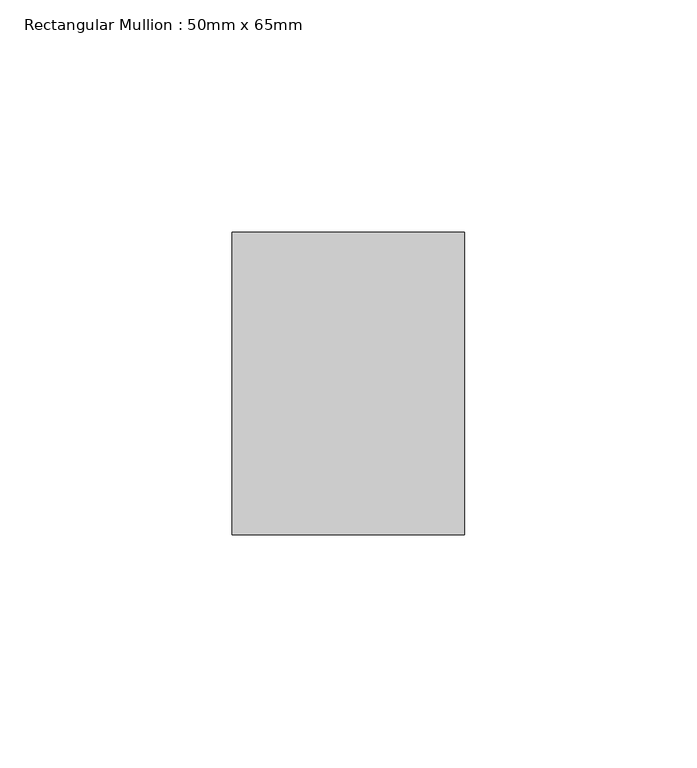
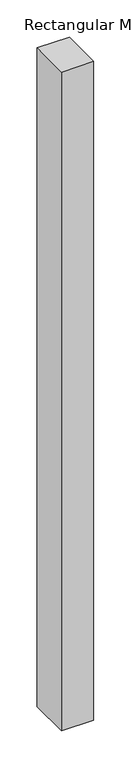
"""IFC4 building model written with IfcOpenShell, lengths in millimetres: member geometry, Rectangular Mullion : 50mm x 65mm."""

from ifc_helpers import new_model, si_unit, frame, origin, place, context, project, spatial, polyline, outline, extrude, source, transform, mapped, element, save


def rectangular_mullion_50mm_x_65mm_74bed0b0(model_context):
    return source(origin(), model_context, "Body", "SweptSolid", [
        extrude(outline(polyline([(25.0, 32.5), (25.0, -32.5), (-25.0, -32.5), (-25.0, 32.5), (25.0, 32.5)])), frame((0.0, 0.0, -1078.0447342), z_axis=(0.0, 0.0, 1.0), x_axis=(1.0, 0.0, 0.0)), (0.0, 0.0, 1.0), 1078.0447342),
    ])


if __name__ == "__main__":
    model = new_model("IFC4")
    model_context = context("Model", 3, world=origin())
    ifc_project = project(units=[si_unit("LENGTHUNIT", "METRE", prefix="MILLI")], contexts=[model_context])
    site = spatial("IfcSite", under=ifc_project)
    building = spatial("IfcBuilding", under=site)
    placement = place(None, origin())
    rectangular_mullion_50mm_x_65mm_shape = rectangular_mullion_50mm_x_65mm_74bed0b0(model_context)
    element("IfcMember", 1, ObjectType="Rectangular Mullion : 50mm x 65mm", at=placement, inside=building, context=model_context, shape_type="MappedRepresentation", body=[
        mapped(rectangular_mullion_50mm_x_65mm_shape, transform((0.0, 0.0, 0.0), x_axis=(1.0, 0.0, 0.0), y_axis=(0.0, 1.0, 0.0), z_axis=(0.0, 0.0, 1.0))),
    ])
    save(model, "model.ifc")
